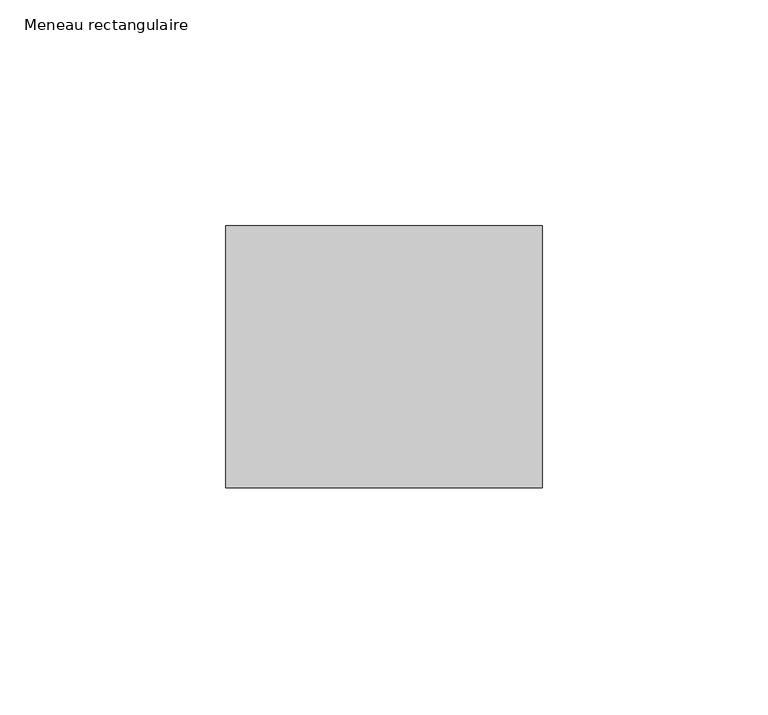
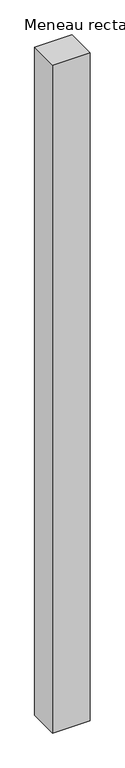
"""IFC4 building model written with IfcOpenShell, lengths in millimetres: member geometry, Meneau rectangulaire."""

import ifcopenshell
import ifcopenshell.guid

model = None  # the IFC model being written
_history = None  # IfcOwnerHistory: only IFC2X3 demands one
_inside = {}  # id of a spatial element -> (the spatial element, [elements in it])
_under = {}  # id of a project, library or spatial element -> (it, [spatial elements below it])
_declared = {}  # id of a project -> (the project, [libraries it declares])
_typed = {}  # id of a type object -> (the type object, [elements of that type])
_made_of = {}  # id of a material, layer set ... -> (it, [elements and type objects made of it])


def new_model(schema):
    """Start an empty IFC model of exactly this schema.

    Asked for "IFC4X3", IfcOpenShell would pick the latest addendum, in which some entities
    have other attributes; the version numbers below select the first issue.
    IFC2X3 requires an IfcOwnerHistory on every rooted entity: one is made here for all.
    """
    global model, _history
    if schema == "IFC4X3":
        model = ifcopenshell.file(schema_version=(4, 3, 0, 0))
    else:
        model = ifcopenshell.file(schema=schema)
    _inside.clear()
    _under.clear()
    _declared.clear()
    _typed.clear()
    _made_of.clear()
    _history = None
    if model.schema == "IFC2X3":
        org = make("IfcOrganization", Name="unknown")
        user = make(
            "IfcPersonAndOrganization",
            ThePerson=make("IfcPerson", FamilyName="unknown"),
            TheOrganization=org,
        )
        app = make(
            "IfcApplication",
            ApplicationDeveloper=org,
            Version="unknown",
            ApplicationFullName="unknown",
            ApplicationIdentifier="unknown",
        )
        _history = make(
            "IfcOwnerHistory",
            OwningUser=user,
            OwningApplication=app,
            ChangeAction="ADDED",
            CreationDate=0,
        )
    return model


def make(cls, **values):
    """One entity of the class cls with the attributes given. An attribute that is None is left unset."""
    return model.create_entity(
        cls, **{name: value for name, value in values.items() if value is not None}
    )


def rooted(cls, **values):
    """An entity with a GlobalId (a new one), such as an element, a storey or a relation."""
    return make(cls, GlobalId=ifcopenshell.guid.new(), OwnerHistory=_history, **values)


def si_unit(unit_type, name, prefix=None):
    """IfcSIUnit, for example si_unit("LENGTHUNIT", "METRE", prefix="MILLI")."""
    return make("IfcSIUnit", UnitType=unit_type, Prefix=prefix, Name=name)


def assignment(units):
    """IfcUnitAssignment: the units of a project."""
    return None if units is None else make("IfcUnitAssignment", Units=units)


def point(xyz):
    """IfcCartesianPoint."""
    return None if xyz is None else make("IfcCartesianPoint", Coordinates=xyz)


def direction(xyz):
    """IfcDirection."""
    return None if xyz is None else make("IfcDirection", DirectionRatios=xyz)


def frame(location, z_axis=None, x_axis=None):
    """IfcAxis2Placement3D, a coordinate frame: its origin and axes. An axis left out is left unset."""
    return make(
        "IfcAxis2Placement3D",
        Location=point(location),
        Axis=direction(z_axis),
        RefDirection=direction(x_axis),
    )


def origin():
    """The frame at (0, 0, 0) with its axes left unset."""
    return frame((0.0, 0.0, 0.0))


def place(relative_to, where):
    """IfcLocalPlacement: puts the frame where relative to a parent placement (None: the world)."""
    return make(
        "IfcLocalPlacement", PlacementRelTo=relative_to, RelativePlacement=where
    )


def context(
    kind, dimensions, precision=None, world=None, true_north=None, identifier=None
):
    """IfcGeometricRepresentationContext, for example the 3D "Model" context."""
    return make(
        "IfcGeometricRepresentationContext",
        ContextIdentifier=identifier,
        ContextType=kind,
        CoordinateSpaceDimension=dimensions,
        Precision=precision,
        WorldCoordinateSystem=world,
        TrueNorth=true_north,
    )


def project(units=None, contexts=None):
    """IfcProject with its units and contexts."""
    return rooted(
        "IfcProject",
        Name="project",
        RepresentationContexts=contexts,
        UnitsInContext=assignment(units),
    )


def spatial(cls, under=None, at=None, **own):
    """A site, building, storey or space (cls), placed at a placement, below another one or the project."""
    s = rooted(cls, ObjectPlacement=at, **own)
    if under is not None:
        _under.setdefault(under.id(), (under, []))[1].append(s)
    return s


def polyline(points):
    """IfcPolyline through the points."""
    return make("IfcPolyline", Points=[point(p) for p in points])


def outline(outer, holes=None, kind="AREA"):
    """IfcArbitraryClosedProfileDef: a profile drawn as a closed curve; with holes, ...WithVoids."""
    if holes is None:
        return make("IfcArbitraryClosedProfileDef", ProfileType=kind, OuterCurve=outer)
    return make(
        "IfcArbitraryProfileDefWithVoids",
        ProfileType=kind,
        OuterCurve=outer,
        InnerCurves=holes,
    )


def extrude(swept, where, along, depth):
    """IfcExtrudedAreaSolid: the profile swept, set in the frame where, extruded along a direction by depth."""
    return make(
        "IfcExtrudedAreaSolid",
        SweptArea=swept,
        Position=where,
        ExtrudedDirection=direction(along),
        Depth=depth,
    )


def shape(context_of_items, identifier, shape_type, items):
    """IfcShapeRepresentation: the items that make up one representation, for example the "Body"."""
    return make(
        "IfcShapeRepresentation",
        ContextOfItems=context_of_items,
        RepresentationIdentifier=identifier,
        RepresentationType=shape_type,
        Items=items,
    )


def source(mapping_origin, context_of_items, identifier, shape_type, items):
    """IfcRepresentationMap: a shape defined once, which mapped items show again and again."""
    return make(
        "IfcRepresentationMap",
        MappingOrigin=mapping_origin,
        MappedRepresentation=shape(context_of_items, identifier, shape_type, items),
    )


def transform(
    local_origin,
    x_axis=None,
    y_axis=None,
    z_axis=None,
    scale=None,
    scale2=None,
    scale3=None,
    uniform=True,
):
    """IfcCartesianTransformationOperator3D, or its non-uniform kind. x_axis, y_axis, z_axis: its Axis1, 2, 3."""
    if uniform:
        return make(
            "IfcCartesianTransformationOperator3D",
            Axis1=direction(x_axis),
            Axis2=direction(y_axis),
            LocalOrigin=point(local_origin),
            Scale=scale,
            Axis3=direction(z_axis),
        )
    return make(
        "IfcCartesianTransformationOperator3DnonUniform",
        Axis1=direction(x_axis),
        Axis2=direction(y_axis),
        LocalOrigin=point(local_origin),
        Scale=scale,
        Axis3=direction(z_axis),
        Scale2=scale2,
        Scale3=scale3,
    )


def mapped(mapping_source, mapping_target):
    """IfcMappedItem: shows the shape of a source again, moved by a transform."""
    return make(
        "IfcMappedItem", MappingSource=mapping_source, MappingTarget=mapping_target
    )


def made_of(thing, what):
    """Note that an element or type object is made of a material, layer set ...; save() writes the relation."""
    if what is not None:
        _made_of.setdefault(what.id(), (what, []))[1].append(thing)
    return thing


def element(
    cls,
    number,
    at=None,
    inside=None,
    cuts=None,
    type_object=None,
    material=None,
    context=None,
    identifier="Body",
    shape_type=None,
    held_by="IfcProductDefinitionShape",
    body=None,
    shapes=None,
    **own,
):
    """One element of the class cls, such as IfcWall. Its Tag is "e" and its number.

    at: its placement. inside: the storey or other place that contains it. cuts: it is an
    opening in that element (IfcRelVoidsElement). A single representation is given by context,
    identifier, shape_type and body (its items); several are given by shapes. held_by: the class
    of the entity that holds the representations. save() writes the other relations.
    """
    e = rooted(cls, Tag="e%d" % number, ObjectPlacement=at, **own)
    if body is not None:
        shapes = [shape(context, identifier, shape_type, body)]
    if shapes is not None:
        e.Representation = make(held_by, Representations=shapes)
    if inside is not None:
        _inside.setdefault(inside.id(), (inside, []))[1].append(e)
    if cuts is not None:
        rooted(
            "IfcRelVoidsElement", RelatingBuildingElement=cuts, RelatedOpeningElement=e
        )
    if type_object is not None:
        _typed.setdefault(type_object.id(), (type_object, []))[1].append(e)
    return made_of(e, material)


def aggregate(whole, parts):
    """IfcRelAggregates: a whole, such as a stair, and the parts it consists of."""
    return rooted("IfcRelAggregates", RelatingObject=whole, RelatedObjects=parts)


def save(model, path):
    """Write the relations noted so far, then the file.

    IfcRelAggregates (storeys below a building ...), IfcRelContainedInSpatialStructure (elements
    in a storey), IfcRelDefinesByType, IfcRelAssociatesMaterial and IfcRelDeclares: one each for
    every whole, place, type object, material and project.
    """
    for whole, parts in _under.values():
        aggregate(whole, parts)
    for where, things in _inside.values():
        rooted(
            "IfcRelContainedInSpatialStructure",
            RelatedElements=things,
            RelatingStructure=where,
        )
    for kind, things in _typed.values():
        rooted("IfcRelDefinesByType", RelatedObjects=things, RelatingType=kind)
    for what, things in _made_of.values():
        rooted("IfcRelAssociatesMaterial", RelatedObjects=things, RelatingMaterial=what)
    for by, libraries in _declared.values():
        rooted("IfcRelDeclares", RelatingContext=by, RelatedDefinitions=libraries)
    model.write(path)


def meneau_rectangulaire_5acfaa80(model_context):
    return source(origin(), model_context, "Body", "SweptSolid", [
        extrude(outline(polyline([(0.0, 29.0), (0.0, -29.0), (-70.0, -29.0), (-70.0, 29.0), (0.0, 29.0)])), frame((0.0, 0.0, -1319.7500002), z_axis=(0.0, 0.0, 1.0), x_axis=(1.0, 0.0, 0.0)), (0.0, 0.0, 1.0), 1319.7500002),
    ])


if __name__ == "__main__":
    model = new_model("IFC4")
    model_context = context("Model", 3, world=origin())
    ifc_project = project(units=[si_unit("LENGTHUNIT", "METRE", prefix="MILLI")], contexts=[model_context])
    site = spatial("IfcSite", under=ifc_project)
    building = spatial("IfcBuilding", under=site)
    placement = place(None, origin())
    meneau_rectangulaire_shape = meneau_rectangulaire_5acfaa80(model_context)
    element("IfcMember", 1, ObjectType="Meneau rectangulaire", at=placement, inside=building, context=model_context, shape_type="MappedRepresentation", body=[
        mapped(meneau_rectangulaire_shape, transform((0.0, 0.0, 0.0), x_axis=(1.0, 0.0, 0.0), y_axis=(0.0, 1.0, 0.0), z_axis=(0.0, 0.0, 1.0))),
    ])
    save(model, "model.ifc")
